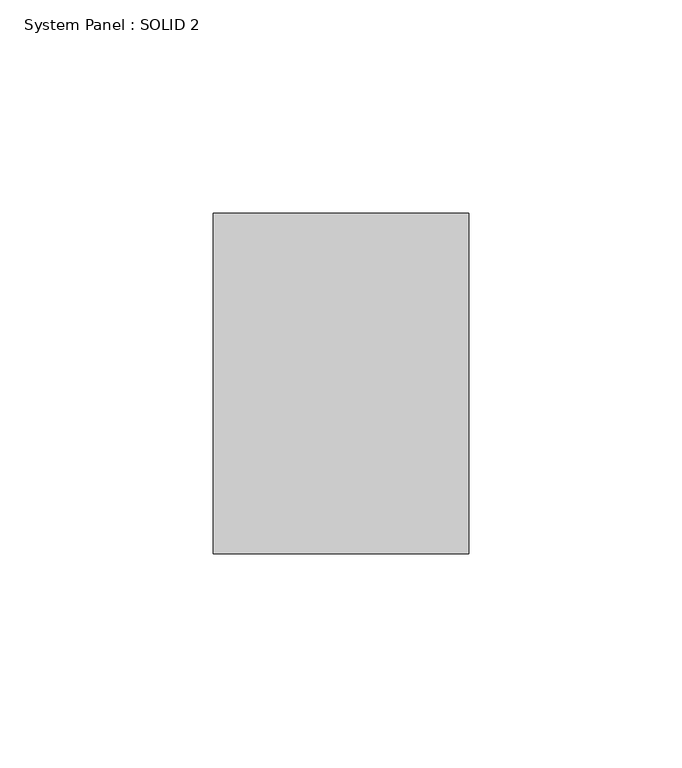
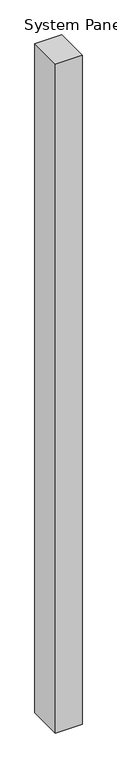
"""IFC4 building model written with IfcOpenShell, lengths in millimetres: plate geometry, System Panel : SOLID 2."""

import ifcopenshell
import ifcopenshell.guid

model = None  # the IFC model being written
_history = None  # IfcOwnerHistory: only IFC2X3 demands one
_inside = {}  # id of a spatial element -> (the spatial element, [elements in it])
_under = {}  # id of a project, library or spatial element -> (it, [spatial elements below it])
_declared = {}  # id of a project -> (the project, [libraries it declares])
_typed = {}  # id of a type object -> (the type object, [elements of that type])
_made_of = {}  # id of a material, layer set ... -> (it, [elements and type objects made of it])


def new_model(schema):
    """Start an empty IFC model of exactly this schema.

    Asked for "IFC4X3", IfcOpenShell would pick the latest addendum, in which some entities
    have other attributes; the version numbers below select the first issue.
    IFC2X3 requires an IfcOwnerHistory on every rooted entity: one is made here for all.
    """
    global model, _history
    if schema == "IFC4X3":
        model = ifcopenshell.file(schema_version=(4, 3, 0, 0))
    else:
        model = ifcopenshell.file(schema=schema)
    _inside.clear()
    _under.clear()
    _declared.clear()
    _typed.clear()
    _made_of.clear()
    _history = None
    if model.schema == "IFC2X3":
        org = make("IfcOrganization", Name="unknown")
        user = make(
            "IfcPersonAndOrganization",
            ThePerson=make("IfcPerson", FamilyName="unknown"),
            TheOrganization=org,
        )
        app = make(
            "IfcApplication",
            ApplicationDeveloper=org,
            Version="unknown",
            ApplicationFullName="unknown",
            ApplicationIdentifier="unknown",
        )
        _history = make(
            "IfcOwnerHistory",
            OwningUser=user,
            OwningApplication=app,
            ChangeAction="ADDED",
            CreationDate=0,
        )
    return model


def make(cls, **values):
    """One entity of the class cls with the attributes given. An attribute that is None is left unset."""
    return model.create_entity(
        cls, **{name: value for name, value in values.items() if value is not None}
    )


def rooted(cls, **values):
    """An entity with a GlobalId (a new one), such as an element, a storey or a relation."""
    return make(cls, GlobalId=ifcopenshell.guid.new(), OwnerHistory=_history, **values)


def si_unit(unit_type, name, prefix=None):
    """IfcSIUnit, for example si_unit("LENGTHUNIT", "METRE", prefix="MILLI")."""
    return make("IfcSIUnit", UnitType=unit_type, Prefix=prefix, Name=name)


def assignment(units):
    """IfcUnitAssignment: the units of a project."""
    return None if units is None else make("IfcUnitAssignment", Units=units)


def point(xyz):
    """IfcCartesianPoint."""
    return None if xyz is None else make("IfcCartesianPoint", Coordinates=xyz)


def direction(xyz):
    """IfcDirection."""
    return None if xyz is None else make("IfcDirection", DirectionRatios=xyz)


def frame(location, z_axis=None, x_axis=None):
    """IfcAxis2Placement3D, a coordinate frame: its origin and axes. An axis left out is left unset."""
    return make(
        "IfcAxis2Placement3D",
        Location=point(location),
        Axis=direction(z_axis),
        RefDirection=direction(x_axis),
    )


def origin():
    """The frame at (0, 0, 0) with its axes left unset."""
    return frame((0.0, 0.0, 0.0))


def origin_with_axes():
    """The frame at (0, 0, 0) with the z axis (0, 0, 1) and the x axis (1, 0, 0) written out."""
    return frame((0.0, 0.0, 0.0), z_axis=(0.0, 0.0, 1.0), x_axis=(1.0, 0.0, 0.0))


def place(relative_to, where):
    """IfcLocalPlacement: puts the frame where relative to a parent placement (None: the world)."""
    return make(
        "IfcLocalPlacement", PlacementRelTo=relative_to, RelativePlacement=where
    )


def context(
    kind, dimensions, precision=None, world=None, true_north=None, identifier=None
):
    """IfcGeometricRepresentationContext, for example the 3D "Model" context."""
    return make(
        "IfcGeometricRepresentationContext",
        ContextIdentifier=identifier,
        ContextType=kind,
        CoordinateSpaceDimension=dimensions,
        Precision=precision,
        WorldCoordinateSystem=world,
        TrueNorth=true_north,
    )


def project(units=None, contexts=None):
    """IfcProject with its units and contexts."""
    return rooted(
        "IfcProject",
        Name="project",
        RepresentationContexts=contexts,
        UnitsInContext=assignment(units),
    )


def spatial(cls, under=None, at=None, **own):
    """A site, building, storey or space (cls), placed at a placement, below another one or the project."""
    s = rooted(cls, ObjectPlacement=at, **own)
    if under is not None:
        _under.setdefault(under.id(), (under, []))[1].append(s)
    return s


def polyline(points):
    """IfcPolyline through the points."""
    return make("IfcPolyline", Points=[point(p) for p in points])


def outline(outer, holes=None, kind="AREA"):
    """IfcArbitraryClosedProfileDef: a profile drawn as a closed curve; with holes, ...WithVoids."""
    if holes is None:
        return make("IfcArbitraryClosedProfileDef", ProfileType=kind, OuterCurve=outer)
    return make(
        "IfcArbitraryProfileDefWithVoids",
        ProfileType=kind,
        OuterCurve=outer,
        InnerCurves=holes,
    )


def extrude(swept, where, along, depth):
    """IfcExtrudedAreaSolid: the profile swept, set in the frame where, extruded along a direction by depth."""
    return make(
        "IfcExtrudedAreaSolid",
        SweptArea=swept,
        Position=where,
        ExtrudedDirection=direction(along),
        Depth=depth,
    )


def shape(context_of_items, identifier, shape_type, items):
    """IfcShapeRepresentation: the items that make up one representation, for example the "Body"."""
    return make(
        "IfcShapeRepresentation",
        ContextOfItems=context_of_items,
        RepresentationIdentifier=identifier,
        RepresentationType=shape_type,
        Items=items,
    )


def source(mapping_origin, context_of_items, identifier, shape_type, items):
    """IfcRepresentationMap: a shape defined once, which mapped items show again and again."""
    return make(
        "IfcRepresentationMap",
        MappingOrigin=mapping_origin,
        MappedRepresentation=shape(context_of_items, identifier, shape_type, items),
    )


def transform(
    local_origin,
    x_axis=None,
    y_axis=None,
    z_axis=None,
    scale=None,
    scale2=None,
    scale3=None,
    uniform=True,
):
    """IfcCartesianTransformationOperator3D, or its non-uniform kind. x_axis, y_axis, z_axis: its Axis1, 2, 3."""
    if uniform:
        return make(
            "IfcCartesianTransformationOperator3D",
            Axis1=direction(x_axis),
            Axis2=direction(y_axis),
            LocalOrigin=point(local_origin),
            Scale=scale,
            Axis3=direction(z_axis),
        )
    return make(
        "IfcCartesianTransformationOperator3DnonUniform",
        Axis1=direction(x_axis),
        Axis2=direction(y_axis),
        LocalOrigin=point(local_origin),
        Scale=scale,
        Axis3=direction(z_axis),
        Scale2=scale2,
        Scale3=scale3,
    )


def mapped(mapping_source, mapping_target):
    """IfcMappedItem: shows the shape of a source again, moved by a transform."""
    return make(
        "IfcMappedItem", MappingSource=mapping_source, MappingTarget=mapping_target
    )


def made_of(thing, what):
    """Note that an element or type object is made of a material, layer set ...; save() writes the relation."""
    if what is not None:
        _made_of.setdefault(what.id(), (what, []))[1].append(thing)
    return thing


def element(
    cls,
    number,
    at=None,
    inside=None,
    cuts=None,
    type_object=None,
    material=None,
    context=None,
    identifier="Body",
    shape_type=None,
    held_by="IfcProductDefinitionShape",
    body=None,
    shapes=None,
    **own,
):
    """One element of the class cls, such as IfcWall. Its Tag is "e" and its number.

    at: its placement. inside: the storey or other place that contains it. cuts: it is an
    opening in that element (IfcRelVoidsElement). A single representation is given by context,
    identifier, shape_type and body (its items); several are given by shapes. held_by: the class
    of the entity that holds the representations. save() writes the other relations.
    """
    e = rooted(cls, Tag="e%d" % number, ObjectPlacement=at, **own)
    if body is not None:
        shapes = [shape(context, identifier, shape_type, body)]
    if shapes is not None:
        e.Representation = make(held_by, Representations=shapes)
    if inside is not None:
        _inside.setdefault(inside.id(), (inside, []))[1].append(e)
    if cuts is not None:
        rooted(
            "IfcRelVoidsElement", RelatingBuildingElement=cuts, RelatedOpeningElement=e
        )
    if type_object is not None:
        _typed.setdefault(type_object.id(), (type_object, []))[1].append(e)
    return made_of(e, material)


def aggregate(whole, parts):
    """IfcRelAggregates: a whole, such as a stair, and the parts it consists of."""
    return rooted("IfcRelAggregates", RelatingObject=whole, RelatedObjects=parts)


def save(model, path):
    """Write the relations noted so far, then the file.

    IfcRelAggregates (storeys below a building ...), IfcRelContainedInSpatialStructure (elements
    in a storey), IfcRelDefinesByType, IfcRelAssociatesMaterial and IfcRelDeclares: one each for
    every whole, place, type object, material and project.
    """
    for whole, parts in _under.values():
        aggregate(whole, parts)
    for where, things in _inside.values():
        rooted(
            "IfcRelContainedInSpatialStructure",
            RelatedElements=things,
            RelatingStructure=where,
        )
    for kind, things in _typed.values():
        rooted("IfcRelDefinesByType", RelatedObjects=things, RelatingType=kind)
    for what, things in _made_of.values():
        rooted("IfcRelAssociatesMaterial", RelatedObjects=things, RelatingMaterial=what)
    for by, libraries in _declared.values():
        rooted("IfcRelDeclares", RelatingContext=by, RelatedDefinitions=libraries)
    model.write(path)


def system_panel_solid_2_d93d7e62(model_context):
    return source(origin(), model_context, "Body", "SweptSolid", [
        extrude(outline(polyline([(30.0, 80.0), (-30.0, 80.0), (-30.0, 160.0), (30.0, 160.0), (30.0, 80.0)])), origin_with_axes(), (0.0, 0.0, 1.0), 1594.0),
    ])


if __name__ == "__main__":
    model = new_model("IFC4")
    model_context = context("Model", 3, world=origin())
    ifc_project = project(units=[si_unit("LENGTHUNIT", "METRE", prefix="MILLI")], contexts=[model_context])
    site = spatial("IfcSite", under=ifc_project)
    building = spatial("IfcBuilding", under=site)
    placement = place(None, origin())
    system_panel_solid_2_shape = system_panel_solid_2_d93d7e62(model_context)
    element("IfcPlate", 1, ObjectType="System Panel : SOLID 2", at=placement, inside=building, context=model_context, shape_type="MappedRepresentation", body=[
        mapped(system_panel_solid_2_shape, transform((0.0, 0.0, 0.0), x_axis=(1.0, 0.0, 0.0), y_axis=(0.0, 1.0, 0.0), z_axis=(0.0, 0.0, 1.0))),
    ])
    save(model, "model.ifc")
